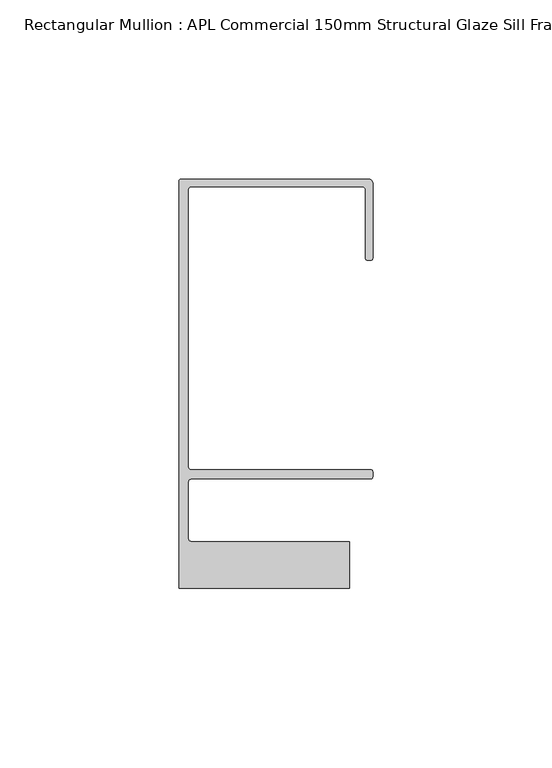
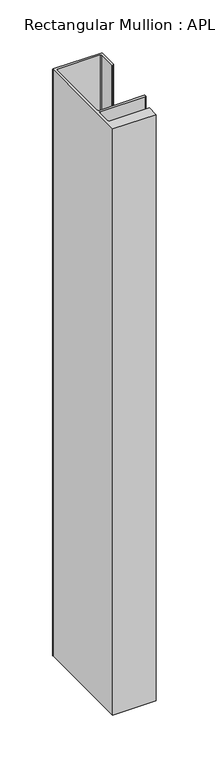
"""IFC4 building model written with IfcOpenShell, lengths in millimetres: member geometry, Rectangular Mullion : APL Commercial 150mm Structural Glaze Sill Frame (Back)."""

from ifc_helpers import new_model, si_unit, frame, origin, place, context, project, spatial, polyline, circle_curve, source, transform, mapped, element, save
from ifc_brep_helpers import plane_surface, cylinder_surface, revolved_surface, advanced_brep


def rectangular_mullion_apl_commercial_150mm_structural_glaze_a2916828(model_context):
    return source(origin(), model_context, "Body", "AdvancedBrep", [
        advanced_brep(
        [(-53.5000083, 129.0001071, 0.0), (-54.0000083, 128.5001071, 0.0), (-54.0000083, 15.0004332, 0.0), (-6.5000083, 15.0004332, 0.0), (-6.5000083, 28.0004332, 0.0), (-50.500032, 28.0004332, 0.0), (-51.500032, 29.0004332, 0.0), (-51.500032, 44.4999541, 0.0), (-50.500032, 45.4999541, 0.0), (-0.521387, 45.4999541, 0.0), (-5.4e-06, 46.0213357, 0.0), (-5.4e-06, 47.5021598, 0.0), (-0.5000012, 48.000115, 0.0), (-50.482081, 48.000115, 0.0), (-51.5000225, 48.9999541, 0.0), (-51.5000225, 126.00011, 0.0), (-50.5000083, 127.00011, 0.0), (-2.9999982, 127.00011, 0.0), (-1.9999982, 126.0001071, 0.0), (-1.9999982, 107.0001071, 0.0), (-1.4999822, 106.5001071, 0.0), (-0.5, 106.5001071, 0.0), (0.0, 107.0001071, 0.0), (0.0, 128.0001071, 0.0), (-1.0000079, 129.0001071, 0.0), (-53.5000083, 129.0001071, -678.0468208), (-1.0000079, 129.0001071, -678.0468208), (-7.9e-06, 128.0001071, -678.0468208), (0.0, 107.0001071, -678.0468208), (-0.5, 106.5001071, -678.0468208), (-1.4999822, 106.5001071, -678.0468208), (-1.9999822, 107.0001071, -678.0468208), (-1.9999982, 126.0001071, -678.0468208), (-2.9999982, 127.0001071, -678.0468208), (-50.5000083, 127.00011, -678.0468208), (-51.5000083, 126.00011, -678.0468208), (-51.5000225, 48.9999541, -678.0468208), (-50.482081, 48.000115, -678.0468208), (-0.5000012, 48.000115, -678.0468208), (-5.4e-06, 47.5021598, -678.0468208), (-5.4e-06, 46.0213357, -678.0468208), (-0.521387, 45.4999541, -678.0468208), (-50.500032, 45.4999541, -678.0468208), (-51.500032, 44.4999541, -678.0468208), (-51.500032, 29.0004332, -678.0468208), (-50.500032, 28.0004332, -678.0468208), (-6.5000083, 28.0004332, -678.0468208), (-6.5000083, 15.0004332, -678.0468208), (-54.0000083, 15.0004332, -678.0468208), (-54.0000083, 128.5001071, -678.0468208)],
        [
            (0, 1, circle_curve(frame((-53.5000083, 128.5001071, 0.0), z_axis=(0.0, 0.0, 1.0), x_axis=(0.0, 1.0, 0.0)), 0.5)),
            (1, 2),
            (2, 3),
            (3, 4),
            (4, 5),
            (5, 6, circle_curve(frame((-50.500032, 29.0004332, 0.0), z_axis=(0.0, 0.0, -1.0), x_axis=(0.0, -1.0, 0.0)), 1.0)),
            (6, 7),
            (7, 8, circle_curve(frame((-50.500032, 44.4999541, 0.0), z_axis=(0.0, 0.0, -1.0), x_axis=(-0.9999999999998819, 4.863123717036027e-07, 0.0)), 1.0)),
            (8, 9),
            (9, 10, circle_curve(frame((-0.521387, 46.0213357, 0.0), z_axis=(0.0, 0.0, 1.0), x_axis=(-1.0, 0.0, 0.0)), 0.5213816)),
            (10, 11),
            (11, 12, circle_curve(frame((-0.5000012, 47.500115, 0.0), z_axis=(0.0, 0.0, 1.0), x_axis=(0.9999999999999991, -4.5120271963110614e-08, 0.0)), 0.5)),
            (12, 13),
            (13, 14, circle_curve(frame((-50.5000225, 48.9999541, 0.0), z_axis=(0.0, 0.0, -1.0), x_axis=(3.5344775231070867e-06, -0.9999999999937538, 0.0)), 1.0)),
            (14, 15),
            (15, 16, circle_curve(frame((-50.5000083, 126.00011, 0.0), z_axis=(0.0, 0.0, -1.0), x_axis=(-1.0, 3.636202450239078e-12, 0.0)), 1.0)),
            (16, 17),
            (17, 18, circle_curve(frame((-2.9999982, 126.0001071, 0.0), z_axis=(0.0, 0.0, -1.0), x_axis=(0.0, 1.0, 0.0)), 1.0)),
            (18, 19),
            (19, 20, circle_curve(frame((-1.4999822, 107.0001071, 0.0), z_axis=(0.0, 0.0, 1.0), x_axis=(-1.0, -1.039279773351609e-08, 0.0)), 0.5)),
            (20, 21),
            (21, 22, circle_curve(frame((-0.5, 107.0001071, 0.0), z_axis=(0.0, 0.0, 1.0), x_axis=(0.0, -1.0, 0.0)), 0.5)),
            (22, 23),
            (23, 24, circle_curve(frame((-1.0000079, 128.0001071, 0.0), z_axis=(0.0, 0.0, 1.0), x_axis=(0.9999999999996143, 8.78371761103865e-07, 0.0)), 1.0)),
            (24, 0),
            (25, 26),
            (26, 27, circle_curve(frame((-1.0000079, 128.0001071, -678.0468208), z_axis=(0.0, 0.0, -1.0), x_axis=(0.9999999999996143, 8.78371761103865e-07, 0.0)), 1.0)),
            (27, 28),
            (28, 29, circle_curve(frame((-0.5, 107.0001071, -678.0468208), z_axis=(0.0, 0.0, -1.0), x_axis=(0.0, -1.0, 0.0)), 0.5)),
            (29, 30),
            (30, 31, circle_curve(frame((-1.4999822, 107.0001071, -678.0468208), z_axis=(0.0, 0.0, -1.0), x_axis=(-1.0, -1.039279773351609e-08, 0.0)), 0.5)),
            (31, 32),
            (32, 33, circle_curve(frame((-2.9999982, 126.0001071, -678.0468208), z_axis=(0.0, 0.0, 1.0), x_axis=(0.0, 1.0, 0.0)), 1.0)),
            (33, 34),
            (34, 35, circle_curve(frame((-50.5000083, 126.00011, -678.0468208), z_axis=(0.0, 0.0, 1.0), x_axis=(-1.0, 3.636202450239078e-12, 0.0)), 1.0)),
            (35, 36),
            (36, 37, circle_curve(frame((-50.5000225, 48.9999541, -678.0468208), z_axis=(0.0, 0.0, 1.0), x_axis=(3.5344775231070867e-06, -0.9999999999937538, 0.0)), 1.0)),
            (37, 38),
            (38, 39, circle_curve(frame((-0.5000012, 47.500115, -678.0468208), z_axis=(0.0, 0.0, -1.0), x_axis=(0.9999999999999991, -4.5120271963110614e-08, 0.0)), 0.5)),
            (39, 40),
            (40, 41, circle_curve(frame((-0.521387, 46.0213357, -678.0468208), z_axis=(0.0, 0.0, -1.0), x_axis=(-1.0, 0.0, 0.0)), 0.5213816)),
            (41, 42),
            (42, 43, circle_curve(frame((-50.500032, 44.4999541, -678.0468208), z_axis=(0.0, 0.0, 1.0), x_axis=(-0.9999999999998819, 4.863123717036027e-07, 0.0)), 1.0)),
            (43, 44),
            (44, 45, circle_curve(frame((-50.500032, 29.0004332, -678.0468208), z_axis=(0.0, 0.0, 1.0), x_axis=(0.0, -1.0, 0.0)), 1.0)),
            (45, 46),
            (46, 47),
            (47, 48),
            (48, 49),
            (49, 25, circle_curve(frame((-53.5000083, 128.5001071, -678.0468208), z_axis=(0.0, 0.0, -1.0), x_axis=(0.0, 1.0, 0.0)), 0.5)),
            (0, 25),
            (49, 1),
            (48, 2),
            (47, 3),
            (46, 4),
            (45, 5),
            (44, 6),
            (43, 7),
            (42, 8),
            (41, 9),
            (40, 10),
            (39, 11),
            (38, 12),
            (37, 13),
            (36, 14),
            (35, 15),
            (34, 16),
            (33, 17),
            (32, 18),
            (31, 19),
            (30, 20),
            (29, 21),
            (28, 22),
            (27, 23),
            (26, 24),
        ],
        [
            plane_surface(frame((0.0, -139.6548314, 0.0), z_axis=(0.0, 0.0, 1.0), x_axis=(-1.0, 0.0, 0.0))),
            plane_surface(frame((0.0, -139.6548314, -678.0468208), z_axis=(0.0, 0.0, -1.0), x_axis=(-1.0, 0.0, 0.0))),
            cylinder_surface(frame((-53.5000083, 128.5001071, 0.0), z_axis=(0.0, 0.0, 1.0), x_axis=(0.0, 1.0, 0.0)), 0.5),
            plane_surface(frame((-54.0000083, 128.5001071, 0.0), z_axis=(-1.0, 0.0, 0.0), x_axis=(0.0, 0.0, -1.0))),
            plane_surface(frame((-54.0000083, 15.0004332, 0.0), z_axis=(0.0, -1.0, 0.0), x_axis=(0.0, 0.0, -1.0))),
            plane_surface(frame((-6.5000083, 15.0004332, 0.0), z_axis=(1.0, 0.0, 0.0), x_axis=(0.0, 0.0, -1.0))),
            plane_surface(frame((-6.5000083, 28.0004332, 0.0), z_axis=(0.0, 1.0, 0.0), x_axis=(0.0, 0.0, -1.0))),
            revolved_surface(polyline([(-50.500032, 28.0004332, -678.0468208), (-50.500032, 28.0004332, 0.0)]), (-50.500032, 29.0004332, 0.0), (0.0, 0.0, -1.0)),
            plane_surface(frame((-51.500032, 29.0004332, 0.0), z_axis=(1.0, 0.0, 0.0), x_axis=(0.0, 0.0, -1.0))),
            revolved_surface(polyline([(-51.50003199999988, 44.49995458631237, -678.0468208000002), (-51.50003199999988, 44.49995458631237, 0.0)]), (-50.500032, 44.4999541, 0.0), (0.0, 0.0, -1.0000000000000002)),
            plane_surface(frame((-50.500032, 45.4999541, 0.0), z_axis=(0.0, -1.0, 0.0), x_axis=(0.0, 0.0, -1.0))),
            cylinder_surface(frame((-0.521387, 46.0213357, 0.0), z_axis=(0.0, 0.0, 1.0), x_axis=(-1.0, 0.0, 0.0)), 0.5213816),
            plane_surface(frame((-5.4e-06, 46.0213357, 0.0), z_axis=(1.0, 0.0, 0.0), x_axis=(0.0, 0.0, -1.0))),
            cylinder_surface(frame((-0.5000012, 47.500115, 0.0), z_axis=(0.0, 0.0, 1.0000000000000002), x_axis=(0.9999999999999991, -4.5120271963110614e-08, 0.0)), 0.5),
            plane_surface(frame((-0.5000012, 48.000115, 0.0), z_axis=(0.0, 1.0, 0.0), x_axis=(0.0, 0.0, -1.0))),
            revolved_surface(polyline([(-50.50001896552248, 47.99995410000624, -678.0468208), (-50.50001896552248, 47.99995410000624, 0.0)]), (-50.5000225, 48.9999541, 0.0), (0.0, 0.0, -1.0)),
            plane_surface(frame((-51.5000225, 48.9999541, 0.0), z_axis=(1.0, 0.0, 0.0), x_axis=(0.0, 0.0, -1.0))),
            revolved_surface(polyline([(-51.5000083, 126.00011000000364, -678.0468208), (-51.5000083, 126.00011000000364, 0.0)]), (-50.5000083, 126.00011, 0.0), (0.0, 0.0, -1.0)),
            plane_surface(frame((-50.5000083, 127.00011, 0.0), z_axis=(0.0, -1.0, 0.0), x_axis=(0.0, 0.0, -1.0))),
            revolved_surface(polyline([(-2.9999982, 127.0001071, -678.0468208), (-2.9999982, 127.0001071, 0.0)]), (-2.9999982, 126.0001071, 0.0), (0.0, 0.0, -1.0)),
            plane_surface(frame((-1.9999982, 126.0001071, 0.0), z_axis=(-1.0, 0.0, 0.0), x_axis=(0.0, 0.0, -1.0))),
            cylinder_surface(frame((-1.4999822, 107.0001071, 0.0), z_axis=(0.0, 0.0, 1.0), x_axis=(-1.0, -1.039279773351609e-08, 0.0)), 0.5),
            plane_surface(frame((-1.4999822, 106.5001071, 0.0), z_axis=(0.0, -1.0, 0.0), x_axis=(0.0, 0.0, -1.0))),
            cylinder_surface(frame((-0.5, 107.0001071, 0.0), z_axis=(0.0, 0.0, 1.0), x_axis=(0.0, -1.0, 0.0)), 0.5),
            plane_surface(frame((0.0, 107.0001071, 0.0), z_axis=(1.0, 0.0, 0.0), x_axis=(0.0, 0.0, -1.0))),
            cylinder_surface(frame((-1.0000079, 128.0001071, 0.0), z_axis=(0.0, 0.0, 1.0000000000000002), x_axis=(0.9999999999996143, 8.78371761103865e-07, 0.0)), 1.0),
            plane_surface(frame((-1.0000079, 129.0001071, 0.0), z_axis=(0.0, 1.0, 0.0), x_axis=(0.0, 0.0, -1.0))),
        ],
        [
            (0, [[1, 2, 3, 4, 5, 6, 7, 8, 9, 10, 11, 12, 13, 14, 15, 16, 17, 18, 19, 20, 21, 22, 23, 24, 25]]),
            (1, [[26, 27, 28, 29, 30, 31, 32, 33, 34, 35, 36, 37, 38, 39, 40, 41, 42, 43, 44, 45, 46, 47, 48, 49, 50]]),
            (2, [[-1, 51, -50, 52]]),
            (3, [[-2, -52, -49, 53]]),
            (4, [[-3, -53, -48, 54]]),
            (5, [[-4, -54, -47, 55]]),
            (6, [[-5, -55, -46, 56]]),
            (7, [[-6, -56, -45, 57]]),
            (8, [[-7, -57, -44, 58]]),
            (9, [[-8, -58, -43, 59]]),
            (10, [[-9, -59, -42, 60]]),
            (11, [[-10, -60, -41, 61]]),
            (12, [[-11, -61, -40, 62]]),
            (13, [[-12, -62, -39, 63]]),
            (14, [[-13, -63, -38, 64]]),
            (15, [[-14, -64, -37, 65]]),
            (16, [[-15, -65, -36, 66]]),
            (17, [[-16, -66, -35, 67]]),
            (18, [[-17, -67, -34, 68]]),
            (19, [[-18, -68, -33, 69]]),
            (20, [[-19, -69, -32, 70]]),
            (21, [[-20, -70, -31, 71]]),
            (22, [[-21, -71, -30, 72]]),
            (23, [[-22, -72, -29, 73]]),
            (24, [[-23, -73, -28, 74]]),
            (25, [[-24, -74, -27, 75]]),
            (26, [[-25, -75, -26, -51]]),
        ],
    ),
    ])


if __name__ == "__main__":
    model = new_model("IFC4")
    model_context = context("Model", 3, world=origin())
    ifc_project = project(units=[si_unit("LENGTHUNIT", "METRE", prefix="MILLI")], contexts=[model_context])
    site = spatial("IfcSite", under=ifc_project)
    building = spatial("IfcBuilding", under=site)
    placement = place(None, origin())
    rectangular_mullion_apl_commercial_150mm_structural_glaze_shape = rectangular_mullion_apl_commercial_150mm_structural_glaze_a2916828(model_context)
    element("IfcMember", 1, ObjectType="Rectangular Mullion : APL Commercial 150mm Structural Glaze Sill Frame (Back)", at=placement, inside=building, context=model_context, shape_type="MappedRepresentation", body=[
        mapped(rectangular_mullion_apl_commercial_150mm_structural_glaze_shape, transform((0.0, 0.0, 0.0), x_axis=(1.0, 0.0, 0.0), y_axis=(0.0, 1.0, 0.0), z_axis=(0.0, 0.0, 1.0))),
    ])
    save(model, "model.ifc")
